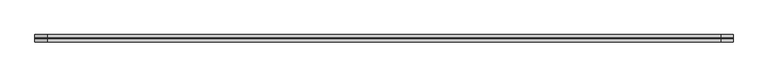
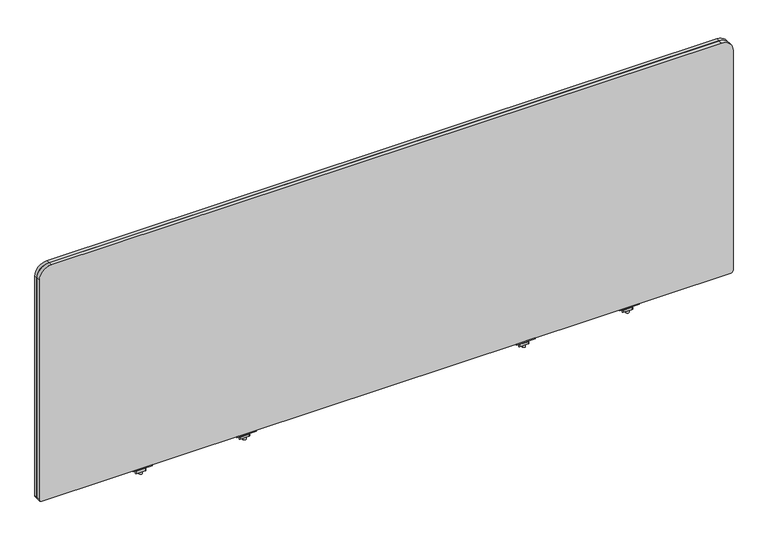
"""IFC4 building model written with IfcOpenShell, lengths in millimetres: furniture geometry."""

from ifc_helpers import new_model, si_unit, frame, origin, place, context, project, spatial, polyline, circle_curve, source, transform, mapped, element, save
from ifc_brep_helpers import plane_surface, cylinder_surface, revolved_surface, advanced_brep


def furniture_7c48f441(model_context):
    return source(origin(), model_context, "Body", "AdvancedBrep", [
        advanced_brep(
        [(572.3633004, -29.196837, 670.6616072), (572.3633004, -33.5530914, 671.3021931), (572.3633004, -43.8905804, 671.3021931), (572.3633004, -48.246837, 670.6616072), (572.3633004, -48.246837, 668.8074326), (572.3633004, -29.196837, 668.8074326), (521.5633035, -29.196837, 670.6616072), (521.5633035, -29.196837, 668.8074326), (521.5633035, -48.246837, 668.8074326), (521.5633035, -48.246837, 670.6616072), (521.5633035, -43.8905804, 671.3021931), (521.5633035, -33.5530914, 671.3021931), (542.8705233, -38.7342719, 668.8074326), (550.8534767, -38.7342719, 668.8074326), (550.8534767, -38.7342719, 671.3021931), (542.8705233, -38.7342719, 671.3021931), (542.8705233, -38.7342719, 650.2879234), (550.8534767, -38.7342719, 650.2879234), (542.8705233, -38.7342719, 676.3883652), (550.8534767, -38.7342719, 676.3883652), (542.8705233, -38.7342719, 665.4211567), (550.8534767, -38.7342719, 665.4211567), (550.8534767, -38.7342719, 659.0711809), (542.8705233, -38.7342719, 659.0711809), (536.5459918, -33.0068357, 665.4211567), (530.3868209, -43.6748356, 665.4211567), (531.7066433, -45.9608347, 665.4211567), (554.7392346, -45.9608347, 665.4211567), (557.3788771, -44.4368361, 665.4211567), (563.5380487, -33.7688351, 665.4211567), (562.2182256, -31.4828349, 665.4211567), (539.1856383, -31.4828349, 665.4211567), (536.5459918, -33.0068357, 659.0711809), (539.1856383, -31.4828349, 659.0711809), (562.2182256, -31.4828349, 659.0711809), (563.5380487, -33.7688351, 659.0711809), (557.3788771, -44.4368361, 659.0711809), (554.7392346, -45.9608347, 659.0711809), (531.7066433, -45.9608347, 659.0711809), (530.3868209, -43.6748356, 659.0711809)],
        [
            (0, 1),
            (1, 2),
            (2, 3),
            (3, 4),
            (4, 5),
            (5, 0),
            (6, 7),
            (7, 8),
            (8, 9),
            (9, 10),
            (10, 11),
            (11, 6),
            (5, 7),
            (6, 0),
            (4, 8),
            (12, 13, circle_curve(frame((546.862, -38.7342719, 668.8074326), z_axis=(0.0, 0.0, 1.0), x_axis=(1.0, 0.0, 0.0)), 3.9914767)),
            (13, 12, circle_curve(frame((546.862, -38.7342719, 668.8074326), z_axis=(0.0, 0.0, 1.0), x_axis=(1.0, 0.0, 0.0)), 3.9914767)),
            (3, 9),
            (2, 10),
            (1, 11),
            (14, 15, circle_curve(frame((546.862, -38.7342719, 671.3021931), z_axis=(0.0, 0.0, -1.0), x_axis=(1.0, 0.0, 0.0)), 3.9914767)),
            (15, 14, circle_curve(frame((546.862, -38.7342719, 671.3021931), z_axis=(0.0, 0.0, -1.0), x_axis=(1.0, 0.0, 0.0)), 3.9914767)),
            (16, 17, circle_curve(frame((546.862, -38.7342719, 650.2879234), z_axis=(0.0, 0.0, -1.0), x_axis=(1.0, 0.0, 0.0)), 3.9914767)),
            (17, 16, circle_curve(frame((546.862, -38.7342719, 650.2879234), z_axis=(0.0, 0.0, -1.0), x_axis=(1.0, 0.0, 0.0)), 3.9914767)),
            (18, 19, circle_curve(frame((546.862, -38.7342719, 676.3883652), z_axis=(0.0, 0.0, 1.0), x_axis=(1.0, 0.0, 0.0)), 3.9914767)),
            (19, 18, circle_curve(frame((546.862, -38.7342719, 676.3883652), z_axis=(0.0, 0.0, 1.0), x_axis=(1.0, 0.0, 0.0)), 3.9914767)),
            (12, 20),
            (20, 21, circle_curve(frame((546.862, -38.7342719, 665.4211567), z_axis=(0.0, 0.0, 1.0), x_axis=(1.0, 0.0, 0.0)), 3.9914767)),
            (21, 13),
            (17, 22),
            (22, 23, circle_curve(frame((546.862, -38.7342719, 659.0711809), z_axis=(0.0, 0.0, -1.0), x_axis=(1.0, 0.0, 0.0)), 3.9914767)),
            (23, 16),
            (18, 15),
            (14, 19),
            (21, 20, circle_curve(frame((546.862, -38.7342719, 665.4211567), z_axis=(0.0, 0.0, 1.0), x_axis=(1.0, 0.0, 0.0)), 3.9914767)),
            (23, 22, circle_curve(frame((546.862, -38.7342719, 659.0711809), z_axis=(0.0, 0.0, -1.0), x_axis=(1.0, 0.0, 0.0)), 3.9914767)),
            (24, 25),
            (25, 26, circle_curve(frame((531.7066433, -44.4368352, 665.4211567), z_axis=(0.0, 0.0, 1.0), x_axis=(1.0, 0.0, 0.0)), 1.5239995)),
            (26, 27),
            (27, 28, circle_curve(frame((554.7392346, -42.9128382, 665.4211567), z_axis=(0.0, 0.0, 1.0), x_axis=(1.0, 0.0, 0.0)), 3.0479965)),
            (28, 29),
            (29, 30, circle_curve(frame((562.2182256, -33.0068351, 665.4211567), z_axis=(0.0, 0.0, 1.0), x_axis=(1.0, 0.0, 0.0)), 1.5240003)),
            (30, 31),
            (31, 24, circle_curve(frame((539.1856383, -34.5308359, 665.4211567), z_axis=(0.0, 0.0, 1.0), x_axis=(1.0, 0.0, 0.0)), 3.048001)),
            (32, 33, circle_curve(frame((539.1856383, -34.5308359, 659.0711809), z_axis=(0.0, 0.0, -1.0), x_axis=(1.0, 0.0, 0.0)), 3.048001)),
            (33, 34),
            (34, 35, circle_curve(frame((562.2182256, -33.0068351, 659.0711809), z_axis=(0.0, 0.0, -1.0), x_axis=(1.0, 0.0, 0.0)), 1.5240003)),
            (35, 36),
            (36, 37, circle_curve(frame((554.7392346, -42.9128382, 659.0711809), z_axis=(0.0, 0.0, -1.0), x_axis=(1.0, 0.0, 0.0)), 3.0479965)),
            (37, 38),
            (38, 39, circle_curve(frame((531.7066433, -44.4368352, 659.0711809), z_axis=(0.0, 0.0, -1.0), x_axis=(1.0, 0.0, 0.0)), 1.5239995)),
            (39, 32),
            (24, 32),
            (39, 25),
            (38, 26),
            (37, 27),
            (36, 28),
            (35, 29),
            (34, 30),
            (33, 31),
        ],
        [
            plane_surface(frame((572.3633004, -33.5530914, 671.3021931), z_axis=(1.0000000000000002, 0.0, 0.0), x_axis=(0.0, -0.9893604345476915, 0.14548515577749913))),
            plane_surface(frame((521.5633035, -33.5530914, 671.3021931), z_axis=(-1.0000000000000002, 0.0, 0.0), x_axis=(0.0, 0.9893604345476915, -0.14548515577749913))),
            plane_surface(frame((572.3633004, -29.196837, 668.8074326), z_axis=(0.0, 1.0, 0.0), x_axis=(-1.0, 0.0, 0.0))),
            plane_surface(frame((572.3633004, -48.246837, 668.8074326), z_axis=(0.0, 0.0, -1.0), x_axis=(-1.0, 0.0, 0.0))),
            plane_surface(frame((572.3633004, -48.246837, 670.6616072), z_axis=(0.0, -1.0, 0.0), x_axis=(-1.0, 0.0, 0.0))),
            plane_surface(frame((572.3633004, -43.8905804, 671.3021931), z_axis=(0.0, -0.1454850815406733, 0.9893604454641917), x_axis=(-1.0, 0.0, 0.0))),
            plane_surface(frame((572.3633004, -33.5530914, 671.3021931), z_axis=(0.0, 0.0, 1.0), x_axis=(-1.0, 0.0, 0.0))),
            plane_surface(frame((572.3633004, -29.196837, 670.6616072), z_axis=(0.0, 0.14548515577749913, 0.9893604345476915), x_axis=(-1.0, 0.0, 0.0))),
            plane_surface(frame((550.8534767, -38.7342719, 650.2879234), z_axis=(0.0, 0.0, -1.0), x_axis=(0.0, -1.0, 0.0))),
            plane_surface(frame((550.8534767, -38.7342719, 676.3883652), z_axis=(0.0, 0.0, 1.0), x_axis=(0.0, 1.0, 0.0))),
            cylinder_surface(frame((546.862, -38.7342719, 650.2879234), z_axis=(0.0, 0.0, 1.0), x_axis=(1.0, 0.0, 0.0)), 3.9914767),
            plane_surface(frame((530.3868201, -43.6748369, 665.4211567), z_axis=(0.0, 0.0, 1.0000000000000002), x_axis=(-0.4999998964528706, -0.8660254635673935, 0.0))),
            plane_surface(frame((530.3868201, -43.6748369, 659.0711809), z_axis=(0.0, 0.0, -1.0000000000000002), x_axis=(0.4999998964528706, 0.8660254635673935, 0.0))),
            plane_surface(frame((536.5459918, -33.0068357, 665.4211567), z_axis=(-0.8660254635673935, 0.4999998964528706, 0.0), x_axis=(0.0, 0.0, -1.0))),
            cylinder_surface(frame((531.7066433, -44.4368352, 659.0711809), z_axis=(0.0, 0.0, 1.0), x_axis=(1.0, 0.0, 0.0)), 1.5239995),
            plane_surface(frame((531.7066433, -45.9608347, 665.4211567), z_axis=(0.0, -1.0, 0.0), x_axis=(0.0, 0.0, -1.0))),
            cylinder_surface(frame((554.7392346, -42.9128382, 659.0711809), z_axis=(0.0, 0.0, 1.0), x_axis=(1.0, 0.0, 0.0)), 3.0479965),
            plane_surface(frame((557.3788771, -44.4368361, 665.4211567), z_axis=(0.8660254635674228, -0.4999998964528197, 0.0), x_axis=(0.0, 0.0, -1.0))),
            cylinder_surface(frame((562.2182256, -33.0068351, 659.0711809), z_axis=(0.0, 0.0, 1.0), x_axis=(1.0, 0.0, 0.0)), 1.5240003),
            plane_surface(frame((562.2182256, -31.4828349, 665.4211567), z_axis=(0.0, 1.0, 0.0), x_axis=(0.0, 0.0, -1.0))),
            cylinder_surface(frame((539.1856383, -34.5308359, 659.0711809), z_axis=(0.0, 0.0, 1.0), x_axis=(1.0, 0.0, 0.0)), 3.048001),
        ],
        [
            (0, [[1, 2, 3, 4, 5, 6]]),
            (1, [[7, 8, 9, 10, 11, 12]]),
            (2, [[-6, 13, -7, 14]]),
            (3, [[-5, 15, -8, -13], [16, 17]]),
            (4, [[-4, 18, -9, -15]]),
            (5, [[-3, 19, -10, -18]]),
            (6, [[-2, 20, -11, -19], [21, 22]]),
            (7, [[-1, -14, -12, -20]]),
            (8, [[23, 24]]),
            (9, [[25, 26]]),
            (10, [[-16, 27, 28, 29]]),
            (10, [[-24, 30, 31, 32]]),
            (10, [[-25, 33, -21, 34]]),
            (10, [[-17, -29, 35, -27]]),
            (10, [[-23, -32, 36, -30]]),
            (10, [[-26, -34, -22, -33]]),
            (11, [[37, 38, 39, 40, 41, 42, 43, 44], [-28, -35]]),
            (12, [[45, 46, 47, 48, 49, 50, 51, 52], [-31, -36]]),
            (13, [[-37, 53, -52, 54]]),
            (14, [[-38, -54, -51, 55]]),
            (15, [[-39, -55, -50, 56]]),
            (16, [[-40, -56, -49, 57]]),
            (17, [[-41, -57, -48, 58]]),
            (18, [[-42, -58, -47, 59]]),
            (19, [[-43, -59, -46, 60]]),
            (20, [[-44, -60, -45, -53]]),
        ],
    ),
        advanced_brep(
        [(1580.2353004, -29.196837, 670.6616072), (1580.2353004, -33.5530914, 671.3021931), (1580.2353004, -43.8905804, 671.3021931), (1580.2353004, -48.246837, 670.6616072), (1580.2353004, -48.246837, 668.8074326), (1580.2353004, -29.196837, 668.8074326), (1529.4353035, -29.196837, 670.6616072), (1529.4353035, -29.196837, 668.8074326), (1529.4353035, -48.246837, 668.8074326), (1529.4353035, -48.246837, 670.6616072), (1529.4353035, -43.8905804, 671.3021931), (1529.4353035, -33.5530914, 671.3021931), (1550.7425233, -38.7342719, 668.8074326), (1558.7254767, -38.7342719, 668.8074326), (1558.7254767, -38.7342719, 671.3021931), (1550.7425233, -38.7342719, 671.3021931), (1550.7425233, -38.7342719, 650.2879234), (1558.7254767, -38.7342719, 650.2879234), (1550.7425233, -38.7342719, 676.3883652), (1558.7254767, -38.7342719, 676.3883652), (1550.7425233, -38.7342719, 665.4211567), (1558.7254767, -38.7342719, 665.4211567), (1558.7254767, -38.7342719, 659.0711809), (1550.7425233, -38.7342719, 659.0711809), (1544.4179918, -33.0068357, 665.4211567), (1538.2588209, -43.6748356, 665.4211567), (1539.5786433, -45.9608347, 665.4211567), (1562.6112346, -45.9608347, 665.4211567), (1565.2508771, -44.4368361, 665.4211567), (1571.4100487, -33.7688351, 665.4211567), (1570.0902256, -31.4828349, 665.4211567), (1547.0576383, -31.4828349, 665.4211567), (1544.4179918, -33.0068357, 659.0711809), (1547.0576383, -31.4828349, 659.0711809), (1570.0902256, -31.4828349, 659.0711809), (1571.4100487, -33.7688351, 659.0711809), (1565.2508771, -44.4368361, 659.0711809), (1562.6112346, -45.9608347, 659.0711809), (1539.5786433, -45.9608347, 659.0711809), (1538.2588209, -43.6748356, 659.0711809)],
        [
            (0, 1),
            (1, 2),
            (2, 3),
            (3, 4),
            (4, 5),
            (5, 0),
            (6, 7),
            (7, 8),
            (8, 9),
            (9, 10),
            (10, 11),
            (11, 6),
            (5, 7),
            (6, 0),
            (4, 8),
            (12, 13, circle_curve(frame((1554.734, -38.7342719, 668.8074326), z_axis=(0.0, 0.0, 1.0), x_axis=(1.0, 0.0, 0.0)), 3.9914767)),
            (13, 12, circle_curve(frame((1554.734, -38.7342719, 668.8074326), z_axis=(0.0, 0.0, 1.0), x_axis=(1.0, 0.0, 0.0)), 3.9914767)),
            (3, 9),
            (2, 10),
            (1, 11),
            (14, 15, circle_curve(frame((1554.734, -38.7342719, 671.3021931), z_axis=(0.0, 0.0, -1.0), x_axis=(1.0, 0.0, 0.0)), 3.9914767)),
            (15, 14, circle_curve(frame((1554.734, -38.7342719, 671.3021931), z_axis=(0.0, 0.0, -1.0), x_axis=(1.0, 0.0, 0.0)), 3.9914767)),
            (16, 17, circle_curve(frame((1554.734, -38.7342719, 650.2879234), z_axis=(0.0, 0.0, -1.0), x_axis=(1.0, 0.0, 0.0)), 3.9914767)),
            (17, 16, circle_curve(frame((1554.734, -38.7342719, 650.2879234), z_axis=(0.0, 0.0, -1.0), x_axis=(1.0, 0.0, 0.0)), 3.9914767)),
            (18, 19, circle_curve(frame((1554.734, -38.7342719, 676.3883652), z_axis=(0.0, 0.0, 1.0), x_axis=(1.0, 0.0, 0.0)), 3.9914767)),
            (19, 18, circle_curve(frame((1554.734, -38.7342719, 676.3883652), z_axis=(0.0, 0.0, 1.0), x_axis=(1.0, 0.0, 0.0)), 3.9914767)),
            (12, 20),
            (20, 21, circle_curve(frame((1554.734, -38.7342719, 665.4211567), z_axis=(0.0, 0.0, 1.0), x_axis=(1.0, 0.0, 0.0)), 3.9914767)),
            (21, 13),
            (17, 22),
            (22, 23, circle_curve(frame((1554.734, -38.7342719, 659.0711809), z_axis=(0.0, 0.0, -1.0), x_axis=(1.0, 0.0, 0.0)), 3.9914767)),
            (23, 16),
            (18, 15),
            (14, 19),
            (21, 20, circle_curve(frame((1554.734, -38.7342719, 665.4211567), z_axis=(0.0, 0.0, 1.0), x_axis=(1.0, 0.0, 0.0)), 3.9914767)),
            (23, 22, circle_curve(frame((1554.734, -38.7342719, 659.0711809), z_axis=(0.0, 0.0, -1.0), x_axis=(1.0, 0.0, 0.0)), 3.9914767)),
            (24, 25),
            (25, 26, circle_curve(frame((1539.5786433, -44.4368352, 665.4211567), z_axis=(0.0, 0.0, 1.0), x_axis=(1.0, 0.0, 0.0)), 1.5239995)),
            (26, 27),
            (27, 28, circle_curve(frame((1562.6112346, -42.9128382, 665.4211567), z_axis=(0.0, 0.0, 1.0), x_axis=(1.0, 0.0, 0.0)), 3.0479965)),
            (28, 29),
            (29, 30, circle_curve(frame((1570.0902256, -33.0068351, 665.4211567), z_axis=(0.0, 0.0, 1.0), x_axis=(1.0, 0.0, 0.0)), 1.5240003)),
            (30, 31),
            (31, 24, circle_curve(frame((1547.0576383, -34.5308359, 665.4211567), z_axis=(0.0, 0.0, 1.0), x_axis=(1.0, 0.0, 0.0)), 3.048001)),
            (32, 33, circle_curve(frame((1547.0576383, -34.5308359, 659.0711809), z_axis=(0.0, 0.0, -1.0), x_axis=(1.0, 0.0, 0.0)), 3.048001)),
            (33, 34),
            (34, 35, circle_curve(frame((1570.0902256, -33.0068351, 659.0711809), z_axis=(0.0, 0.0, -1.0), x_axis=(1.0, 0.0, 0.0)), 1.5240003)),
            (35, 36),
            (36, 37, circle_curve(frame((1562.6112346, -42.9128382, 659.0711809), z_axis=(0.0, 0.0, -1.0), x_axis=(1.0, 0.0, 0.0)), 3.0479965)),
            (37, 38),
            (38, 39, circle_curve(frame((1539.5786433, -44.4368352, 659.0711809), z_axis=(0.0, 0.0, -1.0), x_axis=(1.0, 0.0, 0.0)), 1.5239995)),
            (39, 32),
            (24, 32),
            (39, 25),
            (38, 26),
            (37, 27),
            (36, 28),
            (35, 29),
            (34, 30),
            (33, 31),
        ],
        [
            plane_surface(frame((1580.2353004, -33.5530914, 671.3021931), z_axis=(1.0000000000000002, 0.0, 0.0), x_axis=(0.0, -0.9893604345476915, 0.14548515577749913))),
            plane_surface(frame((1529.4353035, -33.5530914, 671.3021931), z_axis=(-1.0000000000000002, 0.0, 0.0), x_axis=(0.0, 0.9893604345476915, -0.14548515577749913))),
            plane_surface(frame((1580.2353004, -29.196837, 668.8074326), z_axis=(0.0, 1.0, 0.0), x_axis=(-1.0, 0.0, 0.0))),
            plane_surface(frame((1580.2353004, -48.246837, 668.8074326), z_axis=(0.0, 0.0, -1.0), x_axis=(-1.0, 0.0, 0.0))),
            plane_surface(frame((1580.2353004, -48.246837, 670.6616072), z_axis=(0.0, -1.0, 0.0), x_axis=(-1.0, 0.0, 0.0))),
            plane_surface(frame((1580.2353004, -43.8905804, 671.3021931), z_axis=(0.0, -0.1454850815406733, 0.9893604454641917), x_axis=(-1.0, 0.0, 0.0))),
            plane_surface(frame((1580.2353004, -33.5530914, 671.3021931), z_axis=(0.0, 0.0, 1.0), x_axis=(-1.0, 0.0, 0.0))),
            plane_surface(frame((1580.2353004, -29.196837, 670.6616072), z_axis=(0.0, 0.14548515577749913, 0.9893604345476915), x_axis=(-1.0, 0.0, 0.0))),
            plane_surface(frame((1558.7254767, -38.7342719, 650.2879234), z_axis=(0.0, 0.0, -1.0), x_axis=(0.0, -1.0, 0.0))),
            plane_surface(frame((1558.7254767, -38.7342719, 676.3883652), z_axis=(0.0, 0.0, 1.0), x_axis=(0.0, 1.0, 0.0))),
            cylinder_surface(frame((1554.734, -38.7342719, 650.2879234), z_axis=(0.0, 0.0, 1.0), x_axis=(1.0, 0.0, 0.0)), 3.9914767),
            plane_surface(frame((1538.2588201, -43.6748369, 665.4211567), z_axis=(0.0, 0.0, 1.0000000000000002), x_axis=(-0.4999998964528706, -0.8660254635673935, 0.0))),
            plane_surface(frame((1538.2588201, -43.6748369, 659.0711809), z_axis=(0.0, 0.0, -1.0000000000000002), x_axis=(0.4999998964528706, 0.8660254635673935, 0.0))),
            plane_surface(frame((1544.4179918, -33.0068357, 665.4211567), z_axis=(-0.8660254635673935, 0.4999998964528706, 0.0), x_axis=(0.0, 0.0, -1.0))),
            cylinder_surface(frame((1539.5786433, -44.4368352, 659.0711809), z_axis=(0.0, 0.0, 1.0), x_axis=(1.0, 0.0, 0.0)), 1.5239995),
            plane_surface(frame((1539.5786433, -45.9608347, 665.4211567), z_axis=(0.0, -1.0, 0.0), x_axis=(0.0, 0.0, -1.0))),
            cylinder_surface(frame((1562.6112346, -42.9128382, 659.0711809), z_axis=(0.0, 0.0, 1.0), x_axis=(1.0, 0.0, 0.0)), 3.0479965),
            plane_surface(frame((1565.2508771, -44.4368361, 665.4211567), z_axis=(0.8660254635674228, -0.4999998964528197, 0.0), x_axis=(0.0, 0.0, -1.0))),
            cylinder_surface(frame((1570.0902256, -33.0068351, 659.0711809), z_axis=(0.0, 0.0, 1.0), x_axis=(1.0, 0.0, 0.0)), 1.5240003),
            plane_surface(frame((1570.0902256, -31.4828349, 665.4211567), z_axis=(0.0, 1.0, 0.0), x_axis=(0.0, 0.0, -1.0))),
            cylinder_surface(frame((1547.0576383, -34.5308359, 659.0711809), z_axis=(0.0, 0.0, 1.0), x_axis=(1.0, 0.0, 0.0)), 3.048001),
        ],
        [
            (0, [[1, 2, 3, 4, 5, 6]]),
            (1, [[7, 8, 9, 10, 11, 12]]),
            (2, [[-6, 13, -7, 14]]),
            (3, [[-5, 15, -8, -13], [16, 17]]),
            (4, [[-4, 18, -9, -15]]),
            (5, [[-3, 19, -10, -18]]),
            (6, [[-2, 20, -11, -19], [21, 22]]),
            (7, [[-1, -14, -12, -20]]),
            (8, [[23, 24]]),
            (9, [[25, 26]]),
            (10, [[-16, 27, 28, 29]]),
            (10, [[-24, 30, 31, 32]]),
            (10, [[-25, 33, -21, 34]]),
            (10, [[-17, -29, 35, -27]]),
            (10, [[-23, -32, 36, -30]]),
            (10, [[-26, -34, -22, -33]]),
            (11, [[37, 38, 39, 40, 41, 42, 43, 44], [-28, -35]]),
            (12, [[45, 46, 47, 48, 49, 50, 51, 52], [-31, -36]]),
            (13, [[-37, 53, -52, 54]]),
            (14, [[-38, -54, -51, 55]]),
            (15, [[-39, -55, -50, 56]]),
            (16, [[-40, -56, -49, 57]]),
            (17, [[-41, -57, -48, 58]]),
            (18, [[-42, -58, -47, 59]]),
            (19, [[-43, -59, -46, 60]]),
            (20, [[-44, -60, -45, -53]]),
        ],
    ),
        advanced_brep(
        [(1307.4393004, -29.196837, 670.6616072), (1307.4393004, -33.5530914, 671.3021931), (1307.4393004, -43.8905804, 671.3021931), (1307.4393004, -48.246837, 670.6616072), (1307.4393004, -48.246837, 668.8074326), (1307.4393004, -29.196837, 668.8074326), (1256.6393035, -29.196837, 670.6616072), (1256.6393035, -29.196837, 668.8074326), (1256.6393035, -48.246837, 668.8074326), (1256.6393035, -48.246837, 670.6616072), (1256.6393035, -43.8905804, 671.3021931), (1256.6393035, -33.5530914, 671.3021931), (1277.9465233, -38.7342719, 668.8074326), (1285.9294767, -38.7342719, 668.8074326), (1285.9294767, -38.7342719, 671.3021931), (1277.9465233, -38.7342719, 671.3021931), (1277.9465233, -38.7342719, 650.2879234), (1285.9294767, -38.7342719, 650.2879234), (1277.9465233, -38.7342719, 676.3883652), (1285.9294767, -38.7342719, 676.3883652), (1277.9465233, -38.7342719, 665.4211567), (1285.9294767, -38.7342719, 665.4211567), (1285.9294767, -38.7342719, 659.0711809), (1277.9465233, -38.7342719, 659.0711809), (1271.6219918, -33.0068357, 665.4211567), (1265.4628209, -43.6748356, 665.4211567), (1266.7826433, -45.9608347, 665.4211567), (1289.8152346, -45.9608347, 665.4211567), (1292.4548771, -44.4368361, 665.4211567), (1298.6140487, -33.7688351, 665.4211567), (1297.2942256, -31.4828349, 665.4211567), (1274.2616383, -31.4828349, 665.4211567), (1271.6219918, -33.0068357, 659.0711809), (1274.2616383, -31.4828349, 659.0711809), (1297.2942256, -31.4828349, 659.0711809), (1298.6140487, -33.7688351, 659.0711809), (1292.4548771, -44.4368361, 659.0711809), (1289.8152346, -45.9608347, 659.0711809), (1266.7826433, -45.9608347, 659.0711809), (1265.4628209, -43.6748356, 659.0711809)],
        [
            (0, 1),
            (1, 2),
            (2, 3),
            (3, 4),
            (4, 5),
            (5, 0),
            (6, 7),
            (7, 8),
            (8, 9),
            (9, 10),
            (10, 11),
            (11, 6),
            (5, 7),
            (6, 0),
            (4, 8),
            (12, 13, circle_curve(frame((1281.938, -38.7342719, 668.8074326), z_axis=(0.0, 0.0, 1.0), x_axis=(1.0, 0.0, 0.0)), 3.9914767)),
            (13, 12, circle_curve(frame((1281.938, -38.7342719, 668.8074326), z_axis=(0.0, 0.0, 1.0), x_axis=(1.0, 0.0, 0.0)), 3.9914767)),
            (3, 9),
            (2, 10),
            (1, 11),
            (14, 15, circle_curve(frame((1281.938, -38.7342719, 671.3021931), z_axis=(0.0, 0.0, -1.0), x_axis=(1.0, 0.0, 0.0)), 3.9914767)),
            (15, 14, circle_curve(frame((1281.938, -38.7342719, 671.3021931), z_axis=(0.0, 0.0, -1.0), x_axis=(1.0, 0.0, 0.0)), 3.9914767)),
            (16, 17, circle_curve(frame((1281.938, -38.7342719, 650.2879234), z_axis=(0.0, 0.0, -1.0), x_axis=(1.0, 0.0, 0.0)), 3.9914767)),
            (17, 16, circle_curve(frame((1281.938, -38.7342719, 650.2879234), z_axis=(0.0, 0.0, -1.0), x_axis=(1.0, 0.0, 0.0)), 3.9914767)),
            (18, 19, circle_curve(frame((1281.938, -38.7342719, 676.3883652), z_axis=(0.0, 0.0, 1.0), x_axis=(1.0, 0.0, 0.0)), 3.9914767)),
            (19, 18, circle_curve(frame((1281.938, -38.7342719, 676.3883652), z_axis=(0.0, 0.0, 1.0), x_axis=(1.0, 0.0, 0.0)), 3.9914767)),
            (12, 20),
            (20, 21, circle_curve(frame((1281.938, -38.7342719, 665.4211567), z_axis=(0.0, 0.0, 1.0), x_axis=(1.0, 0.0, 0.0)), 3.9914767)),
            (21, 13),
            (17, 22),
            (22, 23, circle_curve(frame((1281.938, -38.7342719, 659.0711809), z_axis=(0.0, 0.0, -1.0), x_axis=(1.0, 0.0, 0.0)), 3.9914767)),
            (23, 16),
            (18, 15),
            (14, 19),
            (21, 20, circle_curve(frame((1281.938, -38.7342719, 665.4211567), z_axis=(0.0, 0.0, 1.0), x_axis=(1.0, 0.0, 0.0)), 3.9914767)),
            (23, 22, circle_curve(frame((1281.938, -38.7342719, 659.0711809), z_axis=(0.0, 0.0, -1.0), x_axis=(1.0, 0.0, 0.0)), 3.9914767)),
            (24, 25),
            (25, 26, circle_curve(frame((1266.7826433, -44.4368352, 665.4211567), z_axis=(0.0, 0.0, 1.0), x_axis=(1.0, 0.0, 0.0)), 1.5239995)),
            (26, 27),
            (27, 28, circle_curve(frame((1289.8152346, -42.9128382, 665.4211567), z_axis=(0.0, 0.0, 1.0), x_axis=(1.0, 0.0, 0.0)), 3.0479965)),
            (28, 29),
            (29, 30, circle_curve(frame((1297.2942256, -33.0068351, 665.4211567), z_axis=(0.0, 0.0, 1.0), x_axis=(1.0, 0.0, 0.0)), 1.5240003)),
            (30, 31),
            (31, 24, circle_curve(frame((1274.2616383, -34.5308359, 665.4211567), z_axis=(0.0, 0.0, 1.0), x_axis=(1.0, 0.0, 0.0)), 3.048001)),
            (32, 33, circle_curve(frame((1274.2616383, -34.5308359, 659.0711809), z_axis=(0.0, 0.0, -1.0), x_axis=(1.0, 0.0, 0.0)), 3.048001)),
            (33, 34),
            (34, 35, circle_curve(frame((1297.2942256, -33.0068351, 659.0711809), z_axis=(0.0, 0.0, -1.0), x_axis=(1.0, 0.0, 0.0)), 1.5240003)),
            (35, 36),
            (36, 37, circle_curve(frame((1289.8152346, -42.9128382, 659.0711809), z_axis=(0.0, 0.0, -1.0), x_axis=(1.0, 0.0, 0.0)), 3.0479965)),
            (37, 38),
            (38, 39, circle_curve(frame((1266.7826433, -44.4368352, 659.0711809), z_axis=(0.0, 0.0, -1.0), x_axis=(1.0, 0.0, 0.0)), 1.5239995)),
            (39, 32),
            (24, 32),
            (39, 25),
            (38, 26),
            (37, 27),
            (36, 28),
            (35, 29),
            (34, 30),
            (33, 31),
        ],
        [
            plane_surface(frame((1307.4393004, -33.5530914, 671.3021931), z_axis=(1.0000000000000002, 0.0, 0.0), x_axis=(0.0, -0.9893604345476915, 0.14548515577749913))),
            plane_surface(frame((1256.6393035, -33.5530914, 671.3021931), z_axis=(-1.0000000000000002, 0.0, 0.0), x_axis=(0.0, 0.9893604345476915, -0.14548515577749913))),
            plane_surface(frame((1307.4393004, -29.196837, 668.8074326), z_axis=(0.0, 1.0, 0.0), x_axis=(-1.0, 0.0, 0.0))),
            plane_surface(frame((1307.4393004, -48.246837, 668.8074326), z_axis=(0.0, 0.0, -1.0), x_axis=(-1.0, 0.0, 0.0))),
            plane_surface(frame((1307.4393004, -48.246837, 670.6616072), z_axis=(0.0, -1.0, 0.0), x_axis=(-1.0, 0.0, 0.0))),
            plane_surface(frame((1307.4393004, -43.8905804, 671.3021931), z_axis=(0.0, -0.1454850815406733, 0.9893604454641917), x_axis=(-1.0, 0.0, 0.0))),
            plane_surface(frame((1307.4393004, -33.5530914, 671.3021931), z_axis=(0.0, 0.0, 1.0), x_axis=(-1.0, 0.0, 0.0))),
            plane_surface(frame((1307.4393004, -29.196837, 670.6616072), z_axis=(0.0, 0.14548515577749913, 0.9893604345476915), x_axis=(-1.0, 0.0, 0.0))),
            plane_surface(frame((1285.9294767, -38.7342719, 650.2879234), z_axis=(0.0, 0.0, -1.0), x_axis=(0.0, -1.0, 0.0))),
            plane_surface(frame((1285.9294767, -38.7342719, 676.3883652), z_axis=(0.0, 0.0, 1.0), x_axis=(0.0, 1.0, 0.0))),
            cylinder_surface(frame((1281.938, -38.7342719, 650.2879234), z_axis=(0.0, 0.0, 1.0), x_axis=(1.0, 0.0, 0.0)), 3.9914767),
            plane_surface(frame((1265.4628201, -43.6748369, 665.4211567), z_axis=(0.0, 0.0, 1.0000000000000002), x_axis=(-0.4999998964528706, -0.8660254635673935, 0.0))),
            plane_surface(frame((1265.4628201, -43.6748369, 659.0711809), z_axis=(0.0, 0.0, -1.0000000000000002), x_axis=(0.4999998964528706, 0.8660254635673935, 0.0))),
            plane_surface(frame((1271.6219918, -33.0068357, 665.4211567), z_axis=(-0.8660254635673935, 0.4999998964528706, 0.0), x_axis=(0.0, 0.0, -1.0))),
            cylinder_surface(frame((1266.7826433, -44.4368352, 659.0711809), z_axis=(0.0, 0.0, 1.0), x_axis=(1.0, 0.0, 0.0)), 1.5239995),
            plane_surface(frame((1266.7826433, -45.9608347, 665.4211567), z_axis=(0.0, -1.0, 0.0), x_axis=(0.0, 0.0, -1.0))),
            cylinder_surface(frame((1289.8152346, -42.9128382, 659.0711809), z_axis=(0.0, 0.0, 1.0), x_axis=(1.0, 0.0, 0.0)), 3.0479965),
            plane_surface(frame((1292.4548771, -44.4368361, 665.4211567), z_axis=(0.8660254635674228, -0.4999998964528197, 0.0), x_axis=(0.0, 0.0, -1.0))),
            cylinder_surface(frame((1297.2942256, -33.0068351, 659.0711809), z_axis=(0.0, 0.0, 1.0), x_axis=(1.0, 0.0, 0.0)), 1.5240003),
            plane_surface(frame((1297.2942256, -31.4828349, 665.4211567), z_axis=(0.0, 1.0, 0.0), x_axis=(0.0, 0.0, -1.0))),
            cylinder_surface(frame((1274.2616383, -34.5308359, 659.0711809), z_axis=(0.0, 0.0, 1.0), x_axis=(1.0, 0.0, 0.0)), 3.048001),
        ],
        [
            (0, [[1, 2, 3, 4, 5, 6]]),
            (1, [[7, 8, 9, 10, 11, 12]]),
            (2, [[-6, 13, -7, 14]]),
            (3, [[-5, 15, -8, -13], [16, 17]]),
            (4, [[-4, 18, -9, -15]]),
            (5, [[-3, 19, -10, -18]]),
            (6, [[-2, 20, -11, -19], [21, 22]]),
            (7, [[-1, -14, -12, -20]]),
            (8, [[23, 24]]),
            (9, [[25, 26]]),
            (10, [[-16, 27, 28, 29]]),
            (10, [[-24, 30, 31, 32]]),
            (10, [[-25, 33, -21, 34]]),
            (10, [[-17, -29, 35, -27]]),
            (10, [[-23, -32, 36, -30]]),
            (10, [[-26, -34, -22, -33]]),
            (11, [[37, 38, 39, 40, 41, 42, 43, 44], [-28, -35]]),
            (12, [[45, 46, 47, 48, 49, 50, 51, 52], [-31, -36]]),
            (13, [[-37, 53, -52, 54]]),
            (14, [[-38, -54, -51, 55]]),
            (15, [[-39, -55, -50, 56]]),
            (16, [[-40, -56, -49, 57]]),
            (17, [[-41, -57, -48, 58]]),
            (18, [[-42, -58, -47, 59]]),
            (19, [[-43, -59, -46, 60]]),
            (20, [[-44, -60, -45, -53]]),
        ],
    ),
        advanced_brep(
        [(299.5673004, -29.196837, 670.6616072), (299.5673004, -33.5530914, 671.3021931), (299.5673004, -43.8905804, 671.3021931), (299.5673004, -48.246837, 670.6616072), (299.5673004, -48.246837, 668.8074326), (299.5673004, -29.196837, 668.8074326), (248.7673035, -29.196837, 670.6616072), (248.7673035, -29.196837, 668.8074326), (248.7673035, -48.246837, 668.8074326), (248.7673035, -48.246837, 670.6616072), (248.7673035, -43.8905804, 671.3021931), (248.7673035, -33.5530914, 671.3021931), (270.0745233, -38.7342719, 668.8074326), (278.0574767, -38.7342719, 668.8074326), (278.0574767, -38.7342719, 671.3021931), (270.0745233, -38.7342719, 671.3021931), (270.0745233, -38.7342719, 650.2879234), (278.0574767, -38.7342719, 650.2879234), (270.0745233, -38.7342719, 676.3883652), (278.0574767, -38.7342719, 676.3883652), (270.0745233, -38.7342719, 665.4211567), (278.0574767, -38.7342719, 665.4211567), (278.0574767, -38.7342719, 659.0711809), (270.0745233, -38.7342719, 659.0711809), (263.7499918, -33.0068357, 665.4211567), (257.5908209, -43.6748356, 665.4211567), (258.9106433, -45.9608347, 665.4211567), (281.9432346, -45.9608347, 665.4211567), (284.5828771, -44.4368361, 665.4211567), (290.7420487, -33.7688351, 665.4211567), (289.4222256, -31.4828349, 665.4211567), (266.3896383, -31.4828349, 665.4211567), (263.7499918, -33.0068357, 659.0711809), (266.3896383, -31.4828349, 659.0711809), (289.4222256, -31.4828349, 659.0711809), (290.7420487, -33.7688351, 659.0711809), (284.5828771, -44.4368361, 659.0711809), (281.9432346, -45.9608347, 659.0711809), (258.9106433, -45.9608347, 659.0711809), (257.5908209, -43.6748356, 659.0711809)],
        [
            (0, 1),
            (1, 2),
            (2, 3),
            (3, 4),
            (4, 5),
            (5, 0),
            (6, 7),
            (7, 8),
            (8, 9),
            (9, 10),
            (10, 11),
            (11, 6),
            (5, 7),
            (6, 0),
            (4, 8),
            (12, 13, circle_curve(frame((274.066, -38.7342719, 668.8074326), z_axis=(0.0, 0.0, 1.0), x_axis=(1.0, 0.0, 0.0)), 3.9914767)),
            (13, 12, circle_curve(frame((274.066, -38.7342719, 668.8074326), z_axis=(0.0, 0.0, 1.0), x_axis=(1.0, 0.0, 0.0)), 3.9914767)),
            (3, 9),
            (2, 10),
            (1, 11),
            (14, 15, circle_curve(frame((274.066, -38.7342719, 671.3021931), z_axis=(0.0, 0.0, -1.0), x_axis=(1.0, 0.0, 0.0)), 3.9914767)),
            (15, 14, circle_curve(frame((274.066, -38.7342719, 671.3021931), z_axis=(0.0, 0.0, -1.0), x_axis=(1.0, 0.0, 0.0)), 3.9914767)),
            (16, 17, circle_curve(frame((274.066, -38.7342719, 650.2879234), z_axis=(0.0, 0.0, -1.0), x_axis=(1.0, 0.0, 0.0)), 3.9914767)),
            (17, 16, circle_curve(frame((274.066, -38.7342719, 650.2879234), z_axis=(0.0, 0.0, -1.0), x_axis=(1.0, 0.0, 0.0)), 3.9914767)),
            (18, 19, circle_curve(frame((274.066, -38.7342719, 676.3883652), z_axis=(0.0, 0.0, 1.0), x_axis=(1.0, 0.0, 0.0)), 3.9914767)),
            (19, 18, circle_curve(frame((274.066, -38.7342719, 676.3883652), z_axis=(0.0, 0.0, 1.0), x_axis=(1.0, 0.0, 0.0)), 3.9914767)),
            (12, 20),
            (20, 21, circle_curve(frame((274.066, -38.7342719, 665.4211567), z_axis=(0.0, 0.0, 1.0), x_axis=(1.0, 0.0, 0.0)), 3.9914767)),
            (21, 13),
            (17, 22),
            (22, 23, circle_curve(frame((274.066, -38.7342719, 659.0711809), z_axis=(0.0, 0.0, -1.0), x_axis=(1.0, 0.0, 0.0)), 3.9914767)),
            (23, 16),
            (18, 15),
            (14, 19),
            (21, 20, circle_curve(frame((274.066, -38.7342719, 665.4211567), z_axis=(0.0, 0.0, 1.0), x_axis=(1.0, 0.0, 0.0)), 3.9914767)),
            (23, 22, circle_curve(frame((274.066, -38.7342719, 659.0711809), z_axis=(0.0, 0.0, -1.0), x_axis=(1.0, 0.0, 0.0)), 3.9914767)),
            (24, 25),
            (25, 26, circle_curve(frame((258.9106433, -44.4368352, 665.4211567), z_axis=(0.0, 0.0, 1.0), x_axis=(1.0, 0.0, 0.0)), 1.5239995)),
            (26, 27),
            (27, 28, circle_curve(frame((281.9432346, -42.9128382, 665.4211567), z_axis=(0.0, 0.0, 1.0), x_axis=(1.0, 0.0, 0.0)), 3.0479965)),
            (28, 29),
            (29, 30, circle_curve(frame((289.4222256, -33.0068351, 665.4211567), z_axis=(0.0, 0.0, 1.0), x_axis=(1.0, 0.0, 0.0)), 1.5240003)),
            (30, 31),
            (31, 24, circle_curve(frame((266.3896383, -34.5308359, 665.4211567), z_axis=(0.0, 0.0, 1.0), x_axis=(1.0, 0.0, 0.0)), 3.048001)),
            (32, 33, circle_curve(frame((266.3896383, -34.5308359, 659.0711809), z_axis=(0.0, 0.0, -1.0), x_axis=(1.0, 0.0, 0.0)), 3.048001)),
            (33, 34),
            (34, 35, circle_curve(frame((289.4222256, -33.0068351, 659.0711809), z_axis=(0.0, 0.0, -1.0), x_axis=(1.0, 0.0, 0.0)), 1.5240003)),
            (35, 36),
            (36, 37, circle_curve(frame((281.9432346, -42.9128382, 659.0711809), z_axis=(0.0, 0.0, -1.0), x_axis=(1.0, 0.0, 0.0)), 3.0479965)),
            (37, 38),
            (38, 39, circle_curve(frame((258.9106433, -44.4368352, 659.0711809), z_axis=(0.0, 0.0, -1.0), x_axis=(1.0, 0.0, 0.0)), 1.5239995)),
            (39, 32),
            (24, 32),
            (39, 25),
            (38, 26),
            (37, 27),
            (36, 28),
            (35, 29),
            (34, 30),
            (33, 31),
        ],
        [
            plane_surface(frame((299.5673004, -33.5530914, 671.3021931), z_axis=(1.0000000000000002, 0.0, 0.0), x_axis=(0.0, -0.9893604345476915, 0.14548515577749913))),
            plane_surface(frame((248.7673035, -33.5530914, 671.3021931), z_axis=(-1.0000000000000002, 0.0, 0.0), x_axis=(0.0, 0.9893604345476915, -0.14548515577749913))),
            plane_surface(frame((299.5673004, -29.196837, 668.8074326), z_axis=(0.0, 1.0, 0.0), x_axis=(-1.0, 0.0, 0.0))),
            plane_surface(frame((299.5673004, -48.246837, 668.8074326), z_axis=(0.0, 0.0, -1.0), x_axis=(-1.0, 0.0, 0.0))),
            plane_surface(frame((299.5673004, -48.246837, 670.6616072), z_axis=(0.0, -1.0, 0.0), x_axis=(-1.0, 0.0, 0.0))),
            plane_surface(frame((299.5673004, -43.8905804, 671.3021931), z_axis=(0.0, -0.1454850815406733, 0.9893604454641917), x_axis=(-1.0, 0.0, 0.0))),
            plane_surface(frame((299.5673004, -33.5530914, 671.3021931), z_axis=(0.0, 0.0, 1.0), x_axis=(-1.0, 0.0, 0.0))),
            plane_surface(frame((299.5673004, -29.196837, 670.6616072), z_axis=(0.0, 0.14548515577749913, 0.9893604345476915), x_axis=(-1.0, 0.0, 0.0))),
            plane_surface(frame((278.0574767, -38.7342719, 650.2879234), z_axis=(0.0, 0.0, -1.0), x_axis=(0.0, -1.0, 0.0))),
            plane_surface(frame((278.0574767, -38.7342719, 676.3883652), z_axis=(0.0, 0.0, 1.0), x_axis=(0.0, 1.0, 0.0))),
            cylinder_surface(frame((274.066, -38.7342719, 650.2879234), z_axis=(0.0, 0.0, 1.0), x_axis=(1.0, 0.0, 0.0)), 3.9914767),
            plane_surface(frame((257.5908201, -43.6748369, 665.4211567), z_axis=(0.0, 0.0, 1.0000000000000002), x_axis=(-0.4999998964528706, -0.8660254635673935, 0.0))),
            plane_surface(frame((257.5908201, -43.6748369, 659.0711809), z_axis=(0.0, 0.0, -1.0000000000000002), x_axis=(0.4999998964528706, 0.8660254635673935, 0.0))),
            plane_surface(frame((263.7499918, -33.0068357, 665.4211567), z_axis=(-0.8660254635673935, 0.4999998964528706, 0.0), x_axis=(0.0, 0.0, -1.0))),
            cylinder_surface(frame((258.9106433, -44.4368352, 659.0711809), z_axis=(0.0, 0.0, 1.0), x_axis=(1.0, 0.0, 0.0)), 1.5239995),
            plane_surface(frame((258.9106433, -45.9608347, 665.4211567), z_axis=(0.0, -1.0, 0.0), x_axis=(0.0, 0.0, -1.0))),
            cylinder_surface(frame((281.9432346, -42.9128382, 659.0711809), z_axis=(0.0, 0.0, 1.0), x_axis=(1.0, 0.0, 0.0)), 3.0479965),
            plane_surface(frame((284.5828771, -44.4368361, 665.4211567), z_axis=(0.8660254635674228, -0.4999998964528197, 0.0), x_axis=(0.0, 0.0, -1.0))),
            cylinder_surface(frame((289.4222256, -33.0068351, 659.0711809), z_axis=(0.0, 0.0, 1.0), x_axis=(1.0, 0.0, 0.0)), 1.5240003),
            plane_surface(frame((289.4222256, -31.4828349, 665.4211567), z_axis=(0.0, 1.0, 0.0), x_axis=(0.0, 0.0, -1.0))),
            cylinder_surface(frame((266.3896383, -34.5308359, 659.0711809), z_axis=(0.0, 0.0, 1.0), x_axis=(1.0, 0.0, 0.0)), 3.048001),
        ],
        [
            (0, [[1, 2, 3, 4, 5, 6]]),
            (1, [[7, 8, 9, 10, 11, 12]]),
            (2, [[-6, 13, -7, 14]]),
            (3, [[-5, 15, -8, -13], [16, 17]]),
            (4, [[-4, 18, -9, -15]]),
            (5, [[-3, 19, -10, -18]]),
            (6, [[-2, 20, -11, -19], [21, 22]]),
            (7, [[-1, -14, -12, -20]]),
            (8, [[23, 24]]),
            (9, [[25, 26]]),
            (10, [[-16, 27, 28, 29]]),
            (10, [[-24, 30, 31, 32]]),
            (10, [[-25, 33, -21, 34]]),
            (10, [[-17, -29, 35, -27]]),
            (10, [[-23, -32, 36, -30]]),
            (10, [[-26, -34, -22, -33]]),
            (11, [[37, 38, 39, 40, 41, 42, 43, 44], [-28, -35]]),
            (12, [[45, 46, 47, 48, 49, 50, 51, 52], [-31, -36]]),
            (13, [[-37, 53, -52, 54]]),
            (14, [[-38, -54, -51, 55]]),
            (15, [[-39, -55, -50, 56]]),
            (16, [[-40, -56, -49, 57]]),
            (17, [[-41, -57, -48, 58]]),
            (18, [[-42, -58, -47, 59]]),
            (19, [[-43, -59, -46, 60]]),
            (20, [[-44, -60, -45, -53]]),
        ],
    ),
        advanced_brep(
        [(1.524, -39.0006475, 677.6986292), (7.874, -39.0006475, 671.3486292), (7.874, -48.2716273, 671.3486292), (1.524, -48.2716273, 677.6986292), (2.2976108, -38.7342719, 677.6986292), (7.874, -38.7342719, 672.12224), (1.524, -38.4678963, 677.6986292), (7.874, -38.4678963, 671.3486292), (1.524, -29.1969165, 677.6986292), (7.874, -29.1969165, 671.3486292), (1.524, -48.2716273, 1288.3145313), (1.524, -39.0006475, 1288.3145313), (2.2976108, -38.7342719, 1288.3145313), (1.524, -38.4678963, 1288.3145313), (1.524, -29.1969165, 1288.3145313), (33.274, -48.2716273, 1320.0645313), (33.274, -39.0006475, 1320.0645313), (33.274, -38.7342719, 1319.2909205), (33.274, -38.4678963, 1320.0645313), (33.274, -29.1969165, 1320.0645313), (1795.5255291, -48.2716273, 1320.0645313), (1795.5255291, -39.0006475, 1320.0645313), (1795.5255291, -38.7342719, 1319.2909205), (1795.5255291, -38.4678963, 1320.0645313), (1795.5255291, -29.1969165, 1320.0645313), (1827.2755291, -48.2716273, 1288.3145313), (1827.2755291, -39.0006475, 1288.3145313), (1826.5019183, -38.7342719, 1288.3145313), (1827.2755291, -38.4678963, 1288.3145313), (1827.2755291, -29.1969165, 1288.3145313), (1827.2755291, -48.2716273, 677.6986292), (1827.2755291, -39.0006475, 677.6986292), (1826.5019183, -38.7342719, 677.6986292), (1827.2755291, -38.4678963, 677.6986292), (1827.2755291, -29.1969165, 677.6986292), (1820.9255291, -48.2716273, 671.3486292), (1820.9255291, -39.0006475, 671.3486292), (1820.9255291, -38.7342719, 672.12224), (1820.9255291, -38.4678963, 671.3486292), (1820.9255291, -29.1969165, 671.3486292)],
        [
            (0, 1, circle_curve(frame((7.874, -39.0006475, 677.6986292), z_axis=(0.0, -1.0, 0.0), x_axis=(0.0, 0.0, -1.0)), 6.35)),
            (1, 2),
            (2, 3, circle_curve(frame((7.874, -48.2716273, 677.6986292), z_axis=(0.0, 1.0, 0.0), x_axis=(0.0, 0.0, -1.0)), 6.35)),
            (3, 0),
            (0, 4),
            (4, 5, circle_curve(frame((7.874, -38.7342719, 677.6986292), z_axis=(0.0, -1.0, 0.0), x_axis=(0.0, 0.0, -1.0)), 5.5763892)),
            (5, 1),
            (4, 6),
            (6, 7, circle_curve(frame((7.874, -38.4678963, 677.6986292), z_axis=(0.0, -1.0, 0.0), x_axis=(0.0, 0.0, -1.0)), 6.35)),
            (7, 5),
            (6, 8),
            (8, 9, circle_curve(frame((7.874, -29.1969165, 677.6986292), z_axis=(0.0, -1.0, 0.0), x_axis=(0.0, 0.0, -1.0)), 6.35)),
            (9, 7),
            (3, 10),
            (10, 11),
            (11, 0),
            (11, 12),
            (12, 4),
            (12, 13),
            (13, 6),
            (13, 14),
            (14, 8),
            (10, 15, circle_curve(frame((33.274, -48.2716273, 1288.3145313), z_axis=(0.0, 1.0, 0.0), x_axis=(-1.0, 0.0, 0.0)), 31.75)),
            (15, 16),
            (16, 11, circle_curve(frame((33.274, -39.0006475, 1288.3145313), z_axis=(0.0, -1.0, 0.0), x_axis=(-1.0, 0.0, 0.0)), 31.75)),
            (16, 17),
            (17, 12, circle_curve(frame((33.274, -38.7342719, 1288.3145313), z_axis=(0.0, -1.0, 0.0), x_axis=(-1.0, 0.0, 0.0)), 30.9763892)),
            (17, 18),
            (18, 13, circle_curve(frame((33.274, -38.4678963, 1288.3145313), z_axis=(0.0, -1.0, 0.0), x_axis=(-1.0, 0.0, 0.0)), 31.75)),
            (18, 19),
            (19, 14, circle_curve(frame((33.274, -29.1969165, 1288.3145313), z_axis=(0.0, -1.0, 0.0), x_axis=(-1.0, 0.0, 0.0)), 31.75)),
            (15, 20),
            (20, 21),
            (21, 16),
            (21, 22),
            (22, 17),
            (22, 23),
            (23, 18),
            (23, 24),
            (24, 19),
            (20, 25, circle_curve(frame((1795.5255291, -48.2716273, 1288.3145313), z_axis=(0.0, 1.0, 0.0), x_axis=(0.0, 0.0, 1.0)), 31.75)),
            (25, 26),
            (26, 21, circle_curve(frame((1795.5255291, -39.0006475, 1288.3145313), z_axis=(0.0, -1.0, 0.0), x_axis=(0.0, 0.0, 1.0)), 31.75)),
            (26, 27),
            (27, 22, circle_curve(frame((1795.5255291, -38.7342719, 1288.3145313), z_axis=(0.0, -1.0, 0.0), x_axis=(0.0, 0.0, 1.0)), 30.9763892)),
            (27, 28),
            (28, 23, circle_curve(frame((1795.5255291, -38.4678963, 1288.3145313), z_axis=(0.0, -1.0, 0.0), x_axis=(0.0, 0.0, 1.0)), 31.75)),
            (28, 29),
            (29, 24, circle_curve(frame((1795.5255291, -29.1969165, 1288.3145313), z_axis=(0.0, -1.0, 0.0), x_axis=(0.0, 0.0, 1.0)), 31.75)),
            (25, 30),
            (30, 31),
            (31, 26),
            (31, 32),
            (32, 27),
            (32, 33),
            (33, 28),
            (33, 34),
            (34, 29),
            (30, 35, circle_curve(frame((1820.9255291, -48.2716273, 677.6986292), z_axis=(0.0, 1.0, 0.0), x_axis=(1.0, 0.0, 0.0)), 6.35)),
            (35, 36),
            (36, 31, circle_curve(frame((1820.9255291, -39.0006475, 677.6986292), z_axis=(0.0, -1.0, 0.0), x_axis=(1.0, 0.0, 0.0)), 6.35)),
            (36, 37),
            (37, 32, circle_curve(frame((1820.9255291, -38.7342719, 677.6986292), z_axis=(0.0, -1.0, 0.0), x_axis=(1.0, 0.0, 0.0)), 5.5763892)),
            (37, 38),
            (38, 33, circle_curve(frame((1820.9255291, -38.4678963, 677.6986292), z_axis=(0.0, -1.0, 0.0), x_axis=(1.0, 0.0, 0.0)), 6.35)),
            (38, 39),
            (39, 34, circle_curve(frame((1820.9255291, -29.1969165, 677.6986292), z_axis=(0.0, -1.0, 0.0), x_axis=(1.0, 0.0, 0.0)), 6.35)),
            (39, 9),
            (2, 35),
            (1, 36),
            (5, 37),
            (7, 38),
        ],
        [
            cylinder_surface(frame((7.874, -38.7342719, 677.6986292), z_axis=(0.0, 1.0, 0.0), x_axis=(0.0, 0.0, -1.0)), 6.35),
            revolved_surface(polyline([(7.874, -39.0006475, 671.3486292), (7.874, -38.7342719, 672.12224)]), (7.874, -38.7342719, 677.6986292), (0.0, 1.0, 0.0)),
            revolved_surface(polyline([(7.874, -38.7342719, 672.12224), (7.874, -38.4678963, 671.3486292)]), (7.874, -38.7342719, 677.6986292), (0.0, 1.0, 0.0)),
            plane_surface(frame((1.524, -48.2716273, 677.6986292), z_axis=(-1.0, 0.0, 0.0), x_axis=(0.0, 0.0, 1.0))),
            plane_surface(frame((1.524, -39.0006475, 677.6986292), z_axis=(-0.32556815445506515, 0.945518575600037, 0.0), x_axis=(0.0, 0.0, 1.0))),
            plane_surface(frame((2.2976108, -38.7342719, 677.6986292), z_axis=(-0.3255681544571603, -0.9455185755993156, 0.0), x_axis=(0.0, 0.0, 1.0))),
            plane_surface(frame((1.524, -38.4678963, 677.6986292), z_axis=(-1.0, 0.0, 0.0), x_axis=(0.0, 0.0, 1.0))),
            cylinder_surface(frame((33.274, -38.7342719, 1288.3145313), z_axis=(0.0, 1.0, 0.0), x_axis=(-1.0, 0.0, 0.0)), 31.75),
            revolved_surface(polyline([(1.524, -39.0006475, 1288.3145313), (2.2976108, -38.7342719, 1288.3145313)]), (33.274, -38.7342719, 1288.3145313), (0.0, 1.0, 0.0)),
            revolved_surface(polyline([(2.2976108, -38.7342719, 1288.3145313), (1.524, -38.4678963, 1288.3145313)]), (33.274, -38.7342719, 1288.3145313), (0.0, 1.0, 0.0)),
            plane_surface(frame((33.274, -48.2716273, 1320.0645313), z_axis=(0.0, 0.0, 1.0), x_axis=(1.0, 0.0, 0.0))),
            plane_surface(frame((33.274, -39.0006475, 1320.0645313), z_axis=(0.0, 0.945518575600036, 0.3255681544550682), x_axis=(1.0, 0.0, 0.0))),
            plane_surface(frame((33.274, -38.7342719, 1319.2909205), z_axis=(0.0, -0.9455185755993166, 0.32556815445715725), x_axis=(1.0, 0.0, 0.0))),
            plane_surface(frame((33.274, -38.4678963, 1320.0645313), z_axis=(0.0, 0.0, 1.0), x_axis=(1.0, 0.0, 0.0))),
            cylinder_surface(frame((1795.5255291, -38.7342719, 1288.3145313), z_axis=(0.0, 1.0, 0.0), x_axis=(0.0, 0.0, 1.0)), 31.75),
            revolved_surface(polyline([(1795.5255291, -39.0006475, 1320.0645313), (1795.5255291, -38.7342719, 1319.2909205)]), (1795.5255291, -38.7342719, 1288.3145313), (0.0, 1.0, 0.0)),
            revolved_surface(polyline([(1795.5255291, -38.7342719, 1319.2909205), (1795.5255291, -38.4678963, 1320.0645313)]), (1795.5255291, -38.7342719, 1288.3145313), (0.0, 1.0, 0.0)),
            plane_surface(frame((1827.2755291, -48.2716273, 1288.3145313), z_axis=(1.0, 0.0, 0.0), x_axis=(0.0, 0.0, -1.0))),
            plane_surface(frame((1827.2755291, -39.0006475, 1288.3145313), z_axis=(0.32556815445507126, 0.945518575600035, 0.0), x_axis=(0.0, 0.0, -1.0))),
            plane_surface(frame((1826.5019183, -38.7342719, 1288.3145313), z_axis=(0.3255681544571542, -0.9455185755993176, 0.0), x_axis=(0.0, 0.0, -1.0))),
            plane_surface(frame((1827.2755291, -38.4678963, 1288.3145313), z_axis=(1.0, 0.0, 0.0), x_axis=(0.0, 0.0, -1.0))),
            cylinder_surface(frame((1820.9255291, -38.7342719, 677.6986292), z_axis=(0.0, 1.0, 0.0), x_axis=(1.0, 0.0, 0.0)), 6.35),
            revolved_surface(polyline([(1827.2755291, -39.0006475, 677.6986292), (1826.5019183, -38.7342719, 677.6986292)]), (1820.9255291, -38.7342719, 677.6986292), (0.0, 1.0, 0.0)),
            revolved_surface(polyline([(1826.5019183, -38.7342719, 677.6986292), (1827.2755291, -38.4678963, 677.6986292)]), (1820.9255291, -38.7342719, 677.6986292), (0.0, 1.0, 0.0)),
            plane_surface(frame((1820.9255291, -29.1969165, 671.3486292), z_axis=(0.0, 1.0, 0.0), x_axis=(-1.0, 0.0, 0.0))),
            plane_surface(frame((1820.9255291, -48.2716273, 674.1633557), z_axis=(0.0, -1.0, 0.0), x_axis=(-1.0, 0.0, 0.0))),
            plane_surface(frame((1820.9255291, -48.2716273, 671.3486292), z_axis=(0.0, 0.0, -1.0), x_axis=(-1.0, 0.0, 0.0))),
            plane_surface(frame((1820.9255291, -39.0006475, 671.3486292), z_axis=(0.0, 0.945518575600036, -0.3255681544550682), x_axis=(-1.0, 0.0, 0.0))),
            plane_surface(frame((1820.9255291, -38.7342719, 672.12224), z_axis=(0.0, -0.9455185755993166, -0.32556815445715725), x_axis=(-1.0, 0.0, 0.0))),
            plane_surface(frame((1820.9255291, -38.4678963, 671.3486292), z_axis=(0.0, 0.0, -1.0), x_axis=(-1.0, 0.0, 0.0))),
        ],
        [
            (0, [[1, 2, 3, 4]]),
            (1, [[-1, 5, 6, 7]]),
            (2, [[-6, 8, 9, 10]]),
            (0, [[-9, 11, 12, 13]]),
            (3, [[-4, 14, 15, 16]]),
            (4, [[-5, -16, 17, 18]]),
            (5, [[-8, -18, 19, 20]]),
            (6, [[-11, -20, 21, 22]]),
            (7, [[-15, 23, 24, 25]]),
            (8, [[-17, -25, 26, 27]]),
            (9, [[-19, -27, 28, 29]]),
            (7, [[-21, -29, 30, 31]]),
            (10, [[-24, 32, 33, 34]]),
            (11, [[-26, -34, 35, 36]]),
            (12, [[-28, -36, 37, 38]]),
            (13, [[-30, -38, 39, 40]]),
            (14, [[-33, 41, 42, 43]]),
            (15, [[-35, -43, 44, 45]]),
            (16, [[-37, -45, 46, 47]]),
            (14, [[-39, -47, 48, 49]]),
            (17, [[-42, 50, 51, 52]]),
            (18, [[-44, -52, 53, 54]]),
            (19, [[-46, -54, 55, 56]]),
            (20, [[-48, -56, 57, 58]]),
            (21, [[-51, 59, 60, 61]]),
            (22, [[-53, -61, 62, 63]]),
            (23, [[-55, -63, 64, 65]]),
            (21, [[-57, -65, 66, 67]]),
            (24, [[-12, -22, -31, -40, -49, -58, -67, 68]]),
            (25, [[-3, 69, -59, -50, -41, -32, -23, -14]]),
            (26, [[-2, 70, -60, -69]]),
            (27, [[-7, 71, -62, -70]]),
            (28, [[-10, 72, -64, -71]]),
            (29, [[-13, -68, -66, -72]]),
        ],
    ),
    ])


if __name__ == "__main__":
    model = new_model("IFC4")
    model_context = context("Model", 3, world=origin())
    ifc_project = project(units=[si_unit("LENGTHUNIT", "METRE", prefix="MILLI")], contexts=[model_context])
    site = spatial("IfcSite", under=ifc_project)
    building = spatial("IfcBuilding", under=site)
    placement = place(None, origin())
    furniture_shape = furniture_7c48f441(model_context)
    element("IfcFurniture", 1, at=placement, inside=building, context=model_context, shape_type="MappedRepresentation", body=[
        mapped(furniture_shape, transform((0.0, 0.0, 0.0), x_axis=(1.0, 0.0, 0.0), y_axis=(0.0, 1.0, 0.0), z_axis=(0.0, 0.0, 1.0))),
    ])
    save(model, "model.ifc")
